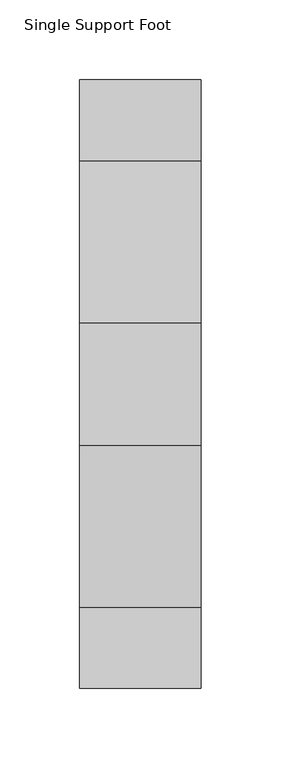
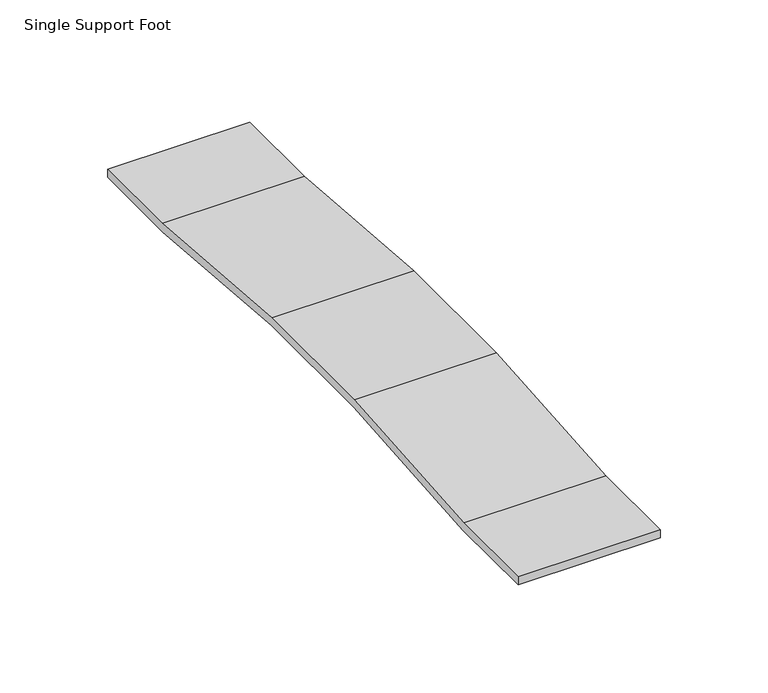
"""IFC4 building model written with IfcOpenShell, lengths in millimetres: furniture geometry, Single Support Foot."""

from ifc_helpers import new_model, si_unit, frame, origin, place, context, project, spatial, polyline, outline, extrude, source, transform, mapped, element, save


def single_support_foot_e1955b85(model_context):
    return source(origin(), model_context, "Body", "SweptSolid", [
        extrude(outline(polyline([(152.4, 4.5466), (152.4, 0.0), (101.6, 0.0), (0.0, 8.1534), (-76.2, 8.1534), (-177.8, 0.0), (-228.6, 0.0), (-228.6, 4.5466), (-177.9821395, 4.5466), (-76.3821395, 12.7), (0.1821395, 12.7), (101.7821395, 4.5466), (152.4, 4.5466)])), frame((6.223, 0.0, 0.0), z_axis=(1.0, 0.0, 0.0), x_axis=(0.0, 1.0, 0.0)), (0.0, 0.0, 1.0), 76.2),
    ])


if __name__ == "__main__":
    model = new_model("IFC4")
    model_context = context("Model", 3, world=origin())
    ifc_project = project(units=[si_unit("LENGTHUNIT", "METRE", prefix="MILLI")], contexts=[model_context])
    site = spatial("IfcSite", under=ifc_project)
    building = spatial("IfcBuilding", under=site)
    placement = place(None, origin())
    single_support_foot_shape = single_support_foot_e1955b85(model_context)
    element("IfcFurniture", 1, ObjectType="Single Support Foot", at=placement, inside=building, context=model_context, shape_type="MappedRepresentation", body=[
        mapped(single_support_foot_shape, transform((0.0, 0.0, 0.0), x_axis=(1.0, 0.0, 0.0), y_axis=(0.0, 1.0, 0.0), z_axis=(0.0, 0.0, 1.0))),
    ])
    save(model, "model.ifc")
